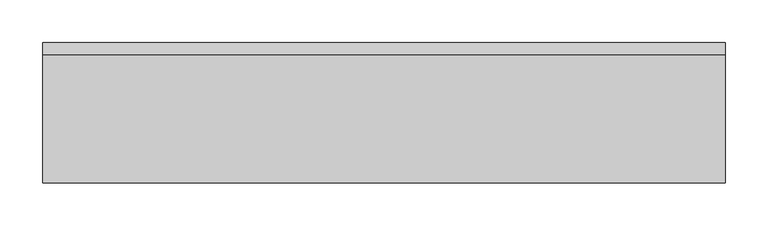
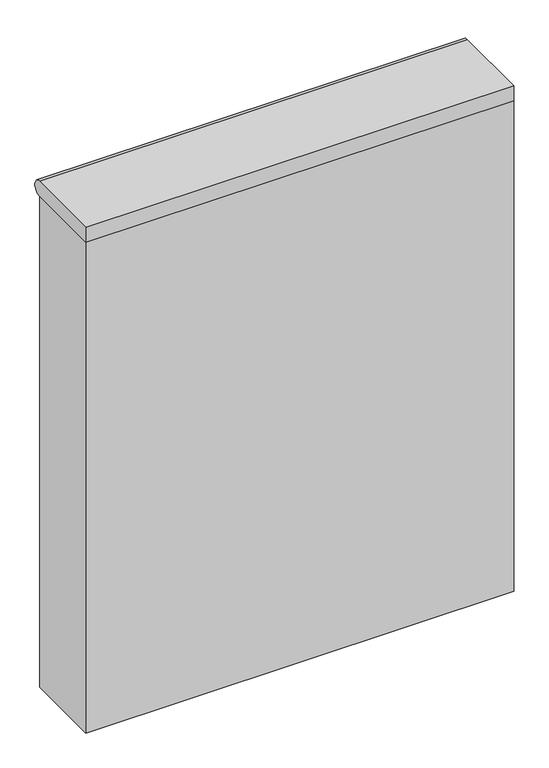
"""IFC4 building model written with IfcOpenShell, lengths in millimetres: flow terminal geometry."""

from ifc_helpers import new_model, si_unit, point, frame, frame_2d, origin, origin_with_axes, place, context, project, spatial, polyline, circle_curve, trimmed, segment, composite_curve, outline, extrude, source, transform, mapped, element, save


def flow_terminal_b8fa7ae2(model_context):
    return source(origin(), model_context, "Body", "SweptSolid", [
        extrude(outline(composite_curve([segment(trimmed(circle_curve(frame_2d((250.0, 985.0)), 15.0), [point((250.0, 1000.0))], [point((250.0, 970.0))], False, "CARTESIAN"), True, "CONTINUOUS"), segment(polyline([(250.0, 970.0), (100.0, 970.0), (100.0, 1000.0), (250.0, 1000.0)]), True, "CONTINUOUS")], self_intersect=False)), frame((-275.0, 0.0, 0.0), z_axis=(1.0, 0.0, 0.0), x_axis=(0.0, 1.0, 0.0)), (0.0, 0.0, 1.0), 800.0),
        extrude(outline(polyline([(525.0, 250.0), (525.0, 100.0), (-275.0, 100.0), (-275.0, 250.0), (525.0, 250.0)])), origin_with_axes(), (0.0, 0.0, 1.0), 970.0),
    ])


if __name__ == "__main__":
    model = new_model("IFC4")
    model_context = context("Model", 3, world=origin())
    ifc_project = project(units=[si_unit("LENGTHUNIT", "METRE", prefix="MILLI")], contexts=[model_context])
    site = spatial("IfcSite", under=ifc_project)
    building = spatial("IfcBuilding", under=site)
    placement = place(None, origin())
    flow_terminal_shape = flow_terminal_b8fa7ae2(model_context)
    element("IfcFlowTerminal", 1, at=placement, inside=building, context=model_context, shape_type="MappedRepresentation", body=[
        mapped(flow_terminal_shape, transform((0.0, 0.0, 0.0), x_axis=(1.0, 0.0, 0.0), y_axis=(0.0, 1.0, 0.0), z_axis=(0.0, 0.0, 1.0))),
    ])
    save(model, "model.ifc")
